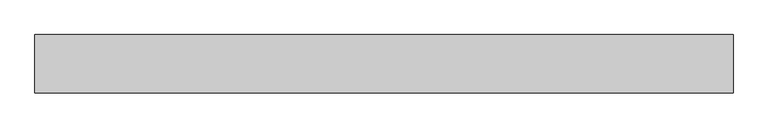
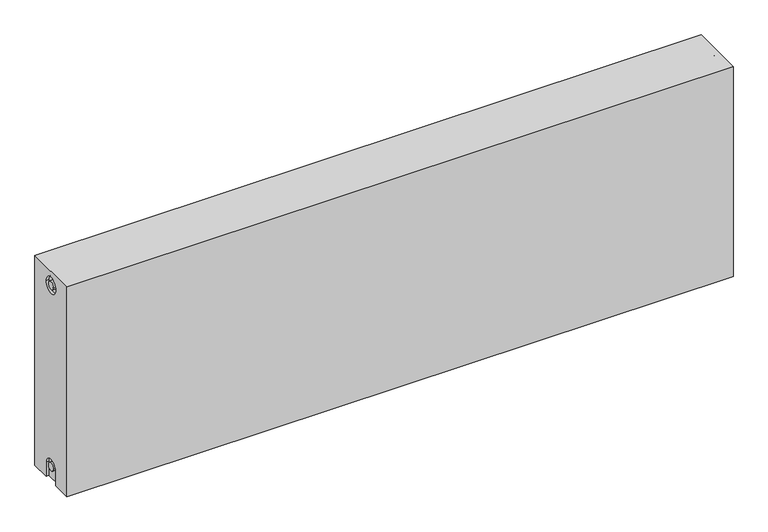
"""IFC4 building model written with IfcOpenShell, lengths in millimetres: proxy geometry."""

from ifc_helpers import new_model, si_unit, frame, origin, place, context, project, spatial, polyline, circle_curve, source, transform, mapped, element, save
from ifc_brep_helpers import plane_surface, cylinder_surface, revolved_surface, advanced_brep


def mechanical_equipment_56d7a994(model_context):
    return source(origin(), model_context, "Body", "AdvancedBrep", [
        advanced_brep(
        [(1200.0, 50.0, 400.0), (1200.0, 50.0, 0.0), (0.0, 50.0, 0.0), (0.0, 50.0, 400.0), (1200.0, -50.0, 400.0), (0.0, -50.0, 400.0), (0.0, -50.0, 0.0), (1200.0, -50.0, 0.0), (1200.0, -15.0, 0.0), (1200.0, -15.0, 27.0), (1200.0, 15.0, 27.0), (1200.0, 15.0, 0.0), (1200.0, 14.7242393, 373.0), (1200.0, -15.2757607, 373.0), (1200.0, -7.5, 27.0), (1200.0, 7.5, 27.0), (1200.0, 7.2242393, 373.0), (1200.0, -7.7757607, 373.0), (1195.0, 15.0, 0.0), (1195.0, -15.0, 0.0), (0.0, -15.0, 0.0), (5.0, -15.0, 0.0), (5.0, 15.0, 0.0), (0.0, 15.0, 0.0), (0.0, 15.0, 27.0), (0.0, -15.0, 27.0), (0.0, -15.2757607, 373.0), (0.0, 14.7242393, 373.0), (0.0, -7.7757607, 373.0), (0.0, 7.2242393, 373.0), (0.0, 7.5682726, 27.0), (0.0, -7.4317274, 27.0), (5.0, -15.2757607, 373.0), (5.0, 14.7242393, 373.0), (5.0, -7.7757607, 373.0), (5.0, 7.2242393, 373.0), (5.0, -15.0, 27.0), (5.0, 15.0, 27.0), (5.0, -7.4317274, 27.0), (5.0, 7.5682726, 27.0), (1195.0, 15.0, 27.0), (1195.0, -15.0, 27.0), (1195.0, -7.5, 27.0), (1195.0, 7.5, 27.0), (1195.0, -15.2757607, 373.0), (1195.0, 14.7242393, 373.0), (1195.0, -7.7757607, 373.0), (1195.0, 7.2242393, 373.0)],
        [
            (0, 1),
            (1, 2),
            (2, 3),
            (3, 0),
            (4, 5),
            (5, 6),
            (6, 7),
            (7, 4),
            (0, 4),
            (7, 8),
            (8, 9),
            (9, 10, circle_curve(frame((1200.0, 0.0, 27.0), z_axis=(-1.0, 0.0, 0.0), x_axis=(0.0, 1.0, 0.0)), 15.0)),
            (10, 11),
            (11, 1),
            (12, 13, circle_curve(frame((1200.0, -0.2757607, 373.0), z_axis=(-1.0, 0.0, 0.0), x_axis=(0.0, 1.0, 0.0)), 15.0)),
            (13, 12, circle_curve(frame((1200.0, -0.2757607, 373.0), z_axis=(-1.0, 0.0, 0.0), x_axis=(0.0, 1.0, 0.0)), 15.0)),
            (14, 15, circle_curve(frame((1200.0, 0.0, 27.0), z_axis=(1.0, 0.0, 0.0), x_axis=(0.0, 1.0, 0.0)), 7.5)),
            (15, 14, circle_curve(frame((1200.0, 0.0, 27.0), z_axis=(1.0, 0.0, 0.0), x_axis=(0.0, 1.0, 0.0)), 7.5)),
            (16, 17, circle_curve(frame((1200.0, -0.2757607, 373.0), z_axis=(1.0, 0.0, 0.0), x_axis=(0.0, 1.0, 0.0)), 7.5)),
            (17, 16, circle_curve(frame((1200.0, -0.2757607, 373.0), z_axis=(1.0, 0.0, 0.0), x_axis=(0.0, 1.0, 0.0)), 7.5)),
            (11, 18),
            (18, 19),
            (19, 8),
            (6, 20),
            (20, 21),
            (21, 22),
            (22, 23),
            (23, 2),
            (23, 24),
            (24, 25, circle_curve(frame((0.0, 0.0, 27.0), z_axis=(1.0, 0.0, 0.0), x_axis=(0.0, 1.0, 0.0)), 15.0)),
            (25, 20),
            (5, 3),
            (26, 27, circle_curve(frame((0.0, -0.2757607, 373.0), z_axis=(1.0, 0.0, 0.0), x_axis=(0.0, 1.0, 0.0)), 15.0)),
            (27, 26, circle_curve(frame((0.0, -0.2757607, 373.0), z_axis=(1.0, 0.0, 0.0), x_axis=(0.0, 1.0, 0.0)), 15.0)),
            (28, 29, circle_curve(frame((0.0, -0.2757607, 373.0), z_axis=(-1.0, 0.0, 0.0), x_axis=(0.0, 1.0, 0.0)), 7.5)),
            (29, 28, circle_curve(frame((0.0, -0.2757607, 373.0), z_axis=(-1.0, 0.0, 0.0), x_axis=(0.0, 1.0, 0.0)), 7.5)),
            (30, 31, circle_curve(frame((0.0, 0.0682726, 27.0), z_axis=(-1.0, 0.0, 0.0), x_axis=(0.0, 1.0, 0.0)), 7.5)),
            (31, 30, circle_curve(frame((0.0, 0.0682726, 27.0), z_axis=(-1.0, 0.0, 0.0), x_axis=(0.0, 1.0, 0.0)), 7.5)),
            (32, 33, circle_curve(frame((5.0, -0.2757607, 373.0), z_axis=(-1.0, 0.0, 0.0), x_axis=(0.0, 1.0, 0.0)), 15.0)),
            (33, 32, circle_curve(frame((5.0, -0.2757607, 373.0), z_axis=(-1.0, 0.0, 0.0), x_axis=(0.0, 1.0, 0.0)), 15.0)),
            (34, 35, circle_curve(frame((5.0, -0.2757607, 373.0), z_axis=(1.0, 0.0, 0.0), x_axis=(0.0, 1.0, 0.0)), 7.5)),
            (35, 34, circle_curve(frame((5.0, -0.2757607, 373.0), z_axis=(1.0, 0.0, 0.0), x_axis=(0.0, 1.0, 0.0)), 7.5)),
            (33, 27),
            (26, 32),
            (35, 29),
            (28, 34),
            (21, 36),
            (36, 37, circle_curve(frame((5.0, 0.0, 27.0), z_axis=(-1.0, 0.0, 0.0), x_axis=(0.0, 1.0, 0.0)), 15.0)),
            (37, 22),
            (38, 39, circle_curve(frame((5.0, 0.0682726, 27.0), z_axis=(1.0, 0.0, 0.0), x_axis=(0.0, 1.0, 0.0)), 7.5)),
            (39, 38, circle_curve(frame((5.0, 0.0682726, 27.0), z_axis=(1.0, 0.0, 0.0), x_axis=(0.0, 1.0, 0.0)), 7.5)),
            (38, 31),
            (30, 39),
            (37, 24),
            (36, 25),
            (18, 40),
            (40, 41, circle_curve(frame((1195.0, 0.0, 27.0), z_axis=(1.0, 0.0, 0.0), x_axis=(0.0, 1.0, 0.0)), 15.0)),
            (41, 19),
            (42, 43, circle_curve(frame((1195.0, 0.0, 27.0), z_axis=(-1.0, 0.0, 0.0), x_axis=(0.0, 1.0, 0.0)), 7.5)),
            (43, 42, circle_curve(frame((1195.0, 0.0, 27.0), z_axis=(-1.0, 0.0, 0.0), x_axis=(0.0, 1.0, 0.0)), 7.5)),
            (43, 15),
            (14, 42),
            (10, 40),
            (9, 41),
            (44, 45, circle_curve(frame((1195.0, -0.2757607, 373.0), z_axis=(1.0, 0.0, 0.0), x_axis=(0.0, 1.0, 0.0)), 15.0)),
            (45, 44, circle_curve(frame((1195.0, -0.2757607, 373.0), z_axis=(1.0, 0.0, 0.0), x_axis=(0.0, 1.0, 0.0)), 15.0)),
            (46, 47, circle_curve(frame((1195.0, -0.2757607, 373.0), z_axis=(-1.0, 0.0, 0.0), x_axis=(0.0, 1.0, 0.0)), 7.5)),
            (47, 46, circle_curve(frame((1195.0, -0.2757607, 373.0), z_axis=(-1.0, 0.0, 0.0), x_axis=(0.0, 1.0, 0.0)), 7.5)),
            (44, 13),
            (12, 45),
            (46, 17),
            (16, 47),
        ],
        [
            plane_surface(frame((1200.0, 50.0, 400.0), z_axis=(0.0, 1.0, 0.0), x_axis=(0.0, 0.0, -1.0))),
            plane_surface(frame((1200.0, -50.0, 400.0), z_axis=(0.0, -1.0, 0.0), x_axis=(0.0, 0.0, 1.0))),
            plane_surface(frame((1200.0, 50.0, 400.0), z_axis=(1.0, 0.0, 0.0), x_axis=(0.0, -1.0, 0.0))),
            plane_surface(frame((1200.0, 50.0, 0.0), z_axis=(0.0, 0.0, -1.0), x_axis=(0.0, -1.0, 0.0))),
            plane_surface(frame((0.0, 50.0, 0.0), z_axis=(-1.0, 0.0, 0.0), x_axis=(0.0, -1.0, 0.0))),
            plane_surface(frame((0.0, 50.0, 400.0), z_axis=(0.0, 0.0, 1.0), x_axis=(0.0, -1.0, 0.0))),
            plane_surface(frame((5.0, 14.7242393, 373.0), z_axis=(-1.0, 0.0, 0.0), x_axis=(0.0, 0.0, 1.0))),
            revolved_surface(polyline([(5.0, 14.7242393, 373.0), (0.0, 14.7242393, 373.0)]), (0.0, -0.2757607, 373.0), (1.0, 0.0, 0.0)),
            cylinder_surface(frame((0.0, -0.2757607, 373.0), z_axis=(-1.0, 0.0, 0.0), x_axis=(0.0, 1.0, 0.0)), 7.5),
            plane_surface(frame((5.0, 7.5682726, 27.0), z_axis=(-1.0, 0.0, 0.0), x_axis=(0.0, 0.0, -1.0))),
            cylinder_surface(frame((0.0, 0.0682726, 27.0), z_axis=(-1.0, 0.0, 0.0), x_axis=(0.0, 1.0, 0.0)), 7.5),
            plane_surface(frame((5.0, 15.0, 0.0), z_axis=(0.0, -1.0, 0.0), x_axis=(-1.0, 0.0, 0.0))),
            revolved_surface(polyline([(5.0, 15.0, 27.0), (0.0, 15.0, 27.0)]), (0.0, 0.0, 27.0), (1.0, 0.0, 0.0)),
            plane_surface(frame((5.0, -15.0, 27.0), z_axis=(0.0, 1.0, 0.0), x_axis=(-1.0, 0.0, 0.0))),
            plane_surface(frame((1195.0, 7.5, 27.0), z_axis=(1.0, 0.0, 0.0), x_axis=(0.0, 0.0, 1.0))),
            cylinder_surface(frame((1195.0, 0.0, 27.0), z_axis=(-1.0, 0.0, 0.0), x_axis=(0.0, 1.0, 0.0)), 7.5),
            plane_surface(frame((1200.0, 15.0, 0.0), z_axis=(0.0, -1.0, 0.0), x_axis=(-1.0, 0.0, 0.0))),
            revolved_surface(polyline([(1200.0, 15.0, 27.0), (1195.0, 15.0, 27.0)]), (895.0, 0.0, 27.0), (1.0, 0.0, 0.0)),
            plane_surface(frame((1200.0, -15.0, 27.0), z_axis=(0.0, 1.0, 0.0), x_axis=(-1.0, 0.0, 0.0))),
            plane_surface(frame((1195.0, 14.7242393, 373.0), z_axis=(1.0, 0.0, 0.0), x_axis=(0.0, 0.0, -1.0))),
            revolved_surface(polyline([(1200.0, 14.7242393, 373.0), (1195.0, 14.7242393, 373.0)]), (1195.0, -0.2757607, 373.0), (1.0, 0.0, 0.0)),
            cylinder_surface(frame((895.0, -0.2757607, 373.0), z_axis=(-1.0, 0.0, 0.0), x_axis=(0.0, 1.0, 0.0)), 7.5),
        ],
        [
            (0, [[1, 2, 3, 4]]),
            (1, [[5, 6, 7, 8]]),
            (2, [[-1, 9, -8, 10, 11, 12, 13, 14], [15, 16]]),
            (2, [[17, 18]]),
            (2, [[19, 20]]),
            (3, [[-2, -14, 21, 22, 23, -10, -7, 24, 25, 26, 27, 28]]),
            (4, [[-3, -28, 29, 30, 31, -24, -6, 32], [33, 34]]),
            (4, [[35, 36]]),
            (4, [[37, 38]]),
            (5, [[-4, -32, -5, -9]]),
            (6, [[39, 40], [41, 42]]),
            (7, [[-40, 43, -33, 44]]),
            (7, [[-39, -44, -34, -43]]),
            (8, [[-42, 45, -35, 46]]),
            (8, [[-41, -46, -36, -45]]),
            (9, [[47, 48, 49, -26], [50, 51]]),
            (10, [[-50, 52, -37, 53]]),
            (10, [[-51, -53, -38, -52]]),
            (11, [[-49, 54, -29, -27]]),
            (12, [[-48, 55, -30, -54]]),
            (13, [[-47, -25, -31, -55]]),
            (14, [[56, 57, 58, -22], [59, 60]]),
            (15, [[-60, 61, -17, 62]]),
            (15, [[-59, -62, -18, -61]]),
            (16, [[-56, -21, -13, 63]]),
            (17, [[-57, -63, -12, 64]]),
            (18, [[-58, -64, -11, -23]]),
            (19, [[65, 66], [67, 68]]),
            (20, [[-65, 69, -15, 70]]),
            (20, [[-66, -70, -16, -69]]),
            (21, [[-67, 71, -19, 72]]),
            (21, [[-68, -72, -20, -71]]),
        ],
    ),
    ])


if __name__ == "__main__":
    model = new_model("IFC4")
    model_context = context("Model", 3, world=origin())
    ifc_project = project(units=[si_unit("LENGTHUNIT", "METRE", prefix="MILLI")], contexts=[model_context])
    site = spatial("IfcSite", under=ifc_project)
    building = spatial("IfcBuilding", under=site)
    placement = place(None, origin())
    mechanical_equipment_shape = mechanical_equipment_56d7a994(model_context)
    element("IfcBuildingElementProxy", 1, Name="Mechanical Equipment", at=placement, inside=building, context=model_context, shape_type="MappedRepresentation", body=[
        mapped(mechanical_equipment_shape, transform((0.0, 0.0, 0.0), x_axis=(1.0, 0.0, 0.0), y_axis=(0.0, 1.0, 0.0), z_axis=(0.0, 0.0, 1.0))),
    ])
    save(model, "model.ifc")
